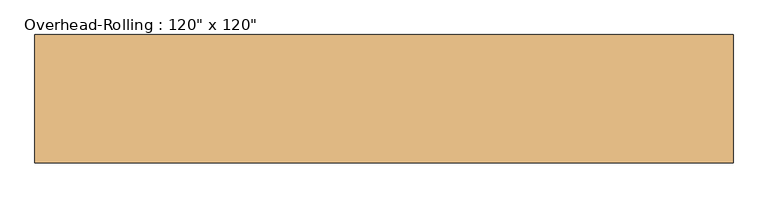
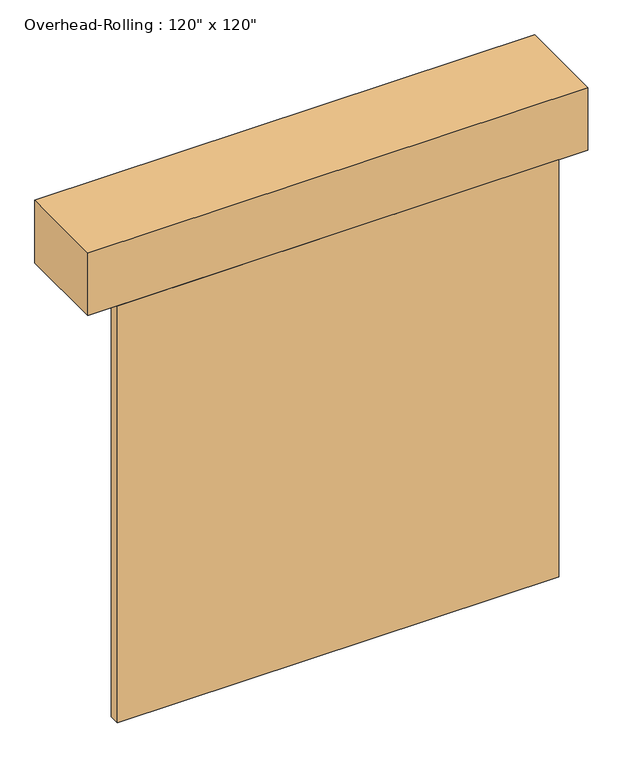
"""IFC4 building model written with IfcOpenShell, lengths in millimetres: door geometry."""

from ifc_helpers import new_model, si_unit, frame, origin, origin_with_axes, place, context, project, spatial, polyline, outline, extrude, source, transform, mapped, element, save


def door_7c6ac940(model_context):
    return source(origin(), model_context, "Body", "SweptSolid", [
        extrude(outline(polyline([(1524.0, 61.9125), (-1524.0, 61.9125), (-1524.0, 138.1125), (1524.0, 138.1125), (1524.0, 61.9125)])), origin_with_axes(), (0.0, 0.0, 1.0), 3048.0),
        extrude(outline(polyline([(1727.2, 696.9125), (1727.2, 61.9125), (-1727.2, 61.9125), (-1727.2, 696.9125), (1727.2, 696.9125)])), frame((0.0, 0.0, 3048.0), z_axis=(0.0, 0.0, 1.0), x_axis=(1.0, 0.0, 0.0)), (0.0, 0.0, 1.0), 457.2),
    ])


if __name__ == "__main__":
    model = new_model("IFC4")
    model_context = context("Model", 3, world=origin())
    ifc_project = project(units=[si_unit("LENGTHUNIT", "METRE", prefix="MILLI")], contexts=[model_context])
    site = spatial("IfcSite", under=ifc_project)
    building = spatial("IfcBuilding", under=site)
    placement = place(None, origin())
    door_shape = door_7c6ac940(model_context)
    element("IfcDoor", 1, ObjectType="Overhead-Rolling : 120\" x 120\"", at=placement, inside=building, context=model_context, shape_type="MappedRepresentation", body=[
        mapped(door_shape, transform((0.0, 0.0, 0.0), x_axis=(1.0, 0.0, 0.0), y_axis=(0.0, 1.0, 0.0), z_axis=(0.0, 0.0, 1.0))),
    ])
    save(model, "model.ifc")
